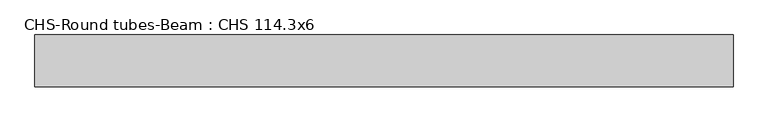
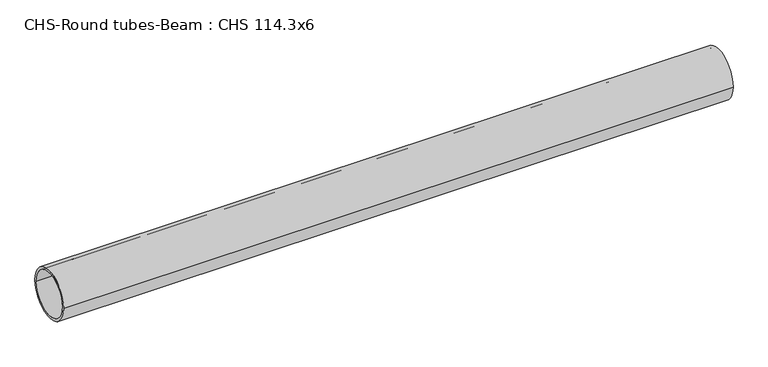
"""IFC4 building model written with IfcOpenShell, lengths in millimetres: beam geometry, CHS-Round tubes-Beam : CHS 114.3x6."""

from ifc_helpers import new_model, si_unit, point, frame, origin, origin_2d, place, context, project, spatial, circle_curve, trimmed, segment, composite_curve, outline, extrude, source, transform, mapped, element, save


def chs_round_tubes_beam_chs_114_3x6_0e80c1a4(model_context):
    return source(origin(), model_context, "Body", "SweptSolid", [
        extrude(outline(composite_curve([segment(trimmed(circle_curve(origin_2d(), 57.15), [point((57.15, 0.0))], [point((-57.15, 0.0))], False, "CARTESIAN"), True, "CONTINUOUS"), segment(trimmed(circle_curve(origin_2d(), 57.15), [point((-57.15, 0.0))], [point((57.15, 0.0))], False, "CARTESIAN"), True, "CONTINUOUS")], self_intersect=False), holes=[composite_curve([segment(trimmed(circle_curve(origin_2d(), 51.15), [point((51.15, 0.0))], [point((-51.15, 0.0))], True, "CARTESIAN"), True, "CONTINUOUS"), segment(trimmed(circle_curve(origin_2d(), 51.15), [point((-51.15, 0.0))], [point((51.15, 0.0))], True, "CARTESIAN"), True, "CONTINUOUS")], self_intersect=False)]), frame((-756.5733846, 0.0, 0.0), z_axis=(1.0, 0.0, 0.0), x_axis=(0.0, 1.0, 0.0)), (0.0, 0.0, 1.0), 1534.4325867),
    ])


if __name__ == "__main__":
    model = new_model("IFC4")
    model_context = context("Model", 3, world=origin())
    ifc_project = project(units=[si_unit("LENGTHUNIT", "METRE", prefix="MILLI")], contexts=[model_context])
    site = spatial("IfcSite", under=ifc_project)
    building = spatial("IfcBuilding", under=site)
    placement = place(None, origin())
    chs_round_tubes_beam_chs_114_3x6_shape = chs_round_tubes_beam_chs_114_3x6_0e80c1a4(model_context)
    element("IfcBeam", 1, ObjectType="CHS-Round tubes-Beam : CHS 114.3x6", at=placement, inside=building, context=model_context, shape_type="MappedRepresentation", body=[
        mapped(chs_round_tubes_beam_chs_114_3x6_shape, transform((0.0, 0.0, 0.0), x_axis=(1.0, 0.0, 0.0), y_axis=(0.0, 1.0, 0.0), z_axis=(0.0, 0.0, 1.0))),
    ])
    save(model, "model.ifc")
